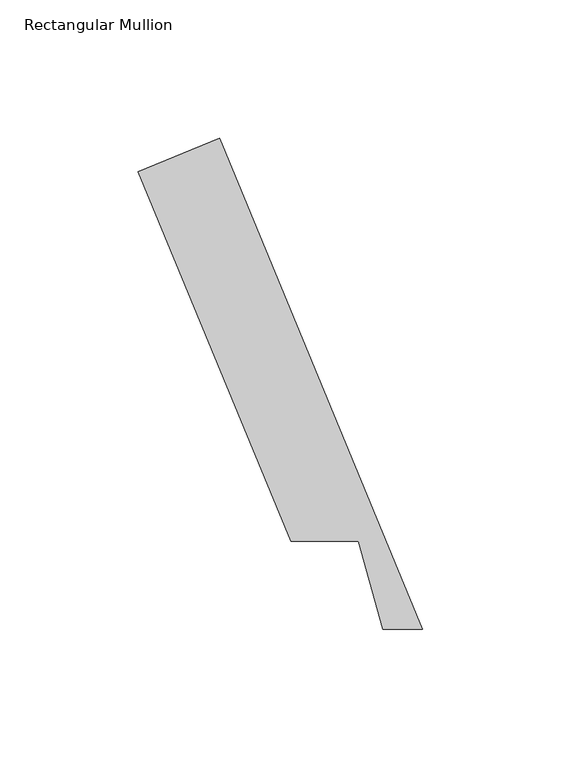
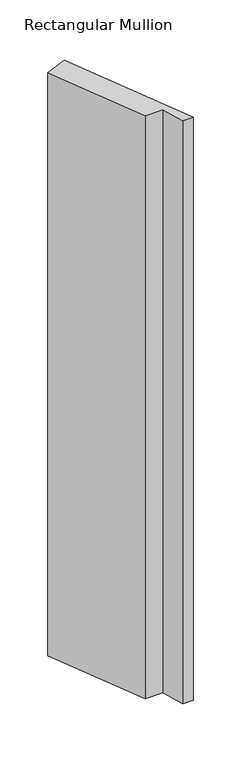
"""IFC4 building model written with IfcOpenShell, lengths in millimetres: member geometry, Rectangular Mullion."""

from ifc_helpers import new_model, si_unit, frame, origin, place, context, project, spatial, polyline, outline, extrude, source, transform, mapped, element, save


def rectangular_mullion_0726af99(model_context):
    return source(origin(), model_context, "Body", "SweptSolid", [
        extrude(outline(polyline([(-81.4658809, 196.4748123), (-7.9741173, 19.05), (-22.2491655, 19.05), (-31.0852157, 50.8), (-55.4913503, 50.8), (-110.7990561, 184.3246133), (-81.4658809, 196.4748123)])), frame((0.0, 0.0, -838.1999996), z_axis=(0.0, 0.0, 1.0), x_axis=(1.0, 0.0, 0.0)), (0.0, 0.0, 1.0), 838.1999996),
    ])


if __name__ == "__main__":
    model = new_model("IFC4")
    model_context = context("Model", 3, world=origin())
    ifc_project = project(units=[si_unit("LENGTHUNIT", "METRE", prefix="MILLI")], contexts=[model_context])
    site = spatial("IfcSite", under=ifc_project)
    building = spatial("IfcBuilding", under=site)
    placement = place(None, origin())
    rectangular_mullion_shape = rectangular_mullion_0726af99(model_context)
    element("IfcMember", 1, ObjectType="Rectangular Mullion", at=placement, inside=building, context=model_context, shape_type="MappedRepresentation", body=[
        mapped(rectangular_mullion_shape, transform((0.0, 0.0, 0.0), x_axis=(1.0, 0.0, 0.0), y_axis=(0.0, 1.0, 0.0), z_axis=(0.0, 0.0, 1.0))),
    ])
    save(model, "model.ifc")
